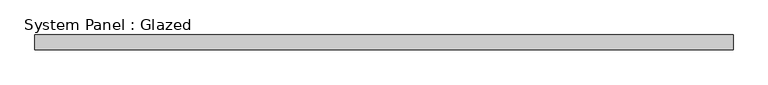
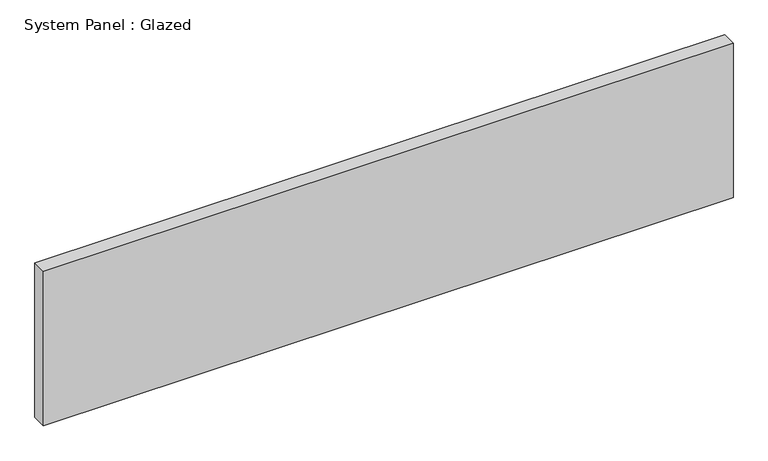
"""IFC4 building model written with IfcOpenShell, lengths in millimetres: plate geometry, System Panel : Glazed."""

from ifc_helpers import new_model, si_unit, origin, origin_with_axes, place, context, project, spatial, polyline, outline, extrude, source, transform, mapped, element, save


def system_panel_glazed_7885a031(model_context):
    return source(origin(), model_context, "Body", "SweptSolid", [
        extrude(outline(polyline([(590.55, 19.05), (-590.55, 19.05), (-590.55, 44.45), (590.55, 44.45), (590.55, 19.05)])), origin_with_axes(), (0.0, 0.0, 1.0), 279.4),
    ])


if __name__ == "__main__":
    model = new_model("IFC4")
    model_context = context("Model", 3, world=origin())
    ifc_project = project(units=[si_unit("LENGTHUNIT", "METRE", prefix="MILLI")], contexts=[model_context])
    site = spatial("IfcSite", under=ifc_project)
    building = spatial("IfcBuilding", under=site)
    placement = place(None, origin())
    system_panel_glazed_shape = system_panel_glazed_7885a031(model_context)
    element("IfcPlate", 1, ObjectType="System Panel : Glazed", at=placement, inside=building, context=model_context, shape_type="MappedRepresentation", body=[
        mapped(system_panel_glazed_shape, transform((0.0, 0.0, 0.0), x_axis=(1.0, 0.0, 0.0), y_axis=(0.0, 1.0, 0.0), z_axis=(0.0, 0.0, 1.0))),
    ])
    save(model, "model.ifc")
